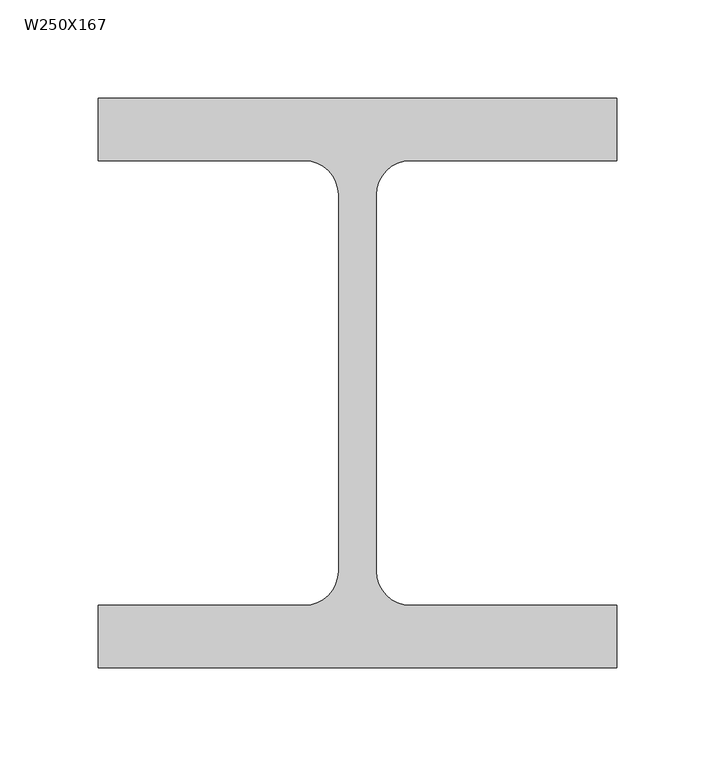
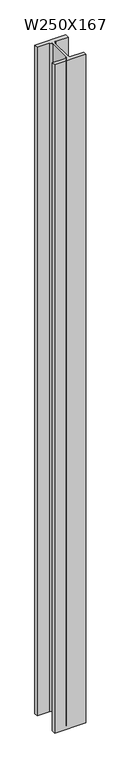
"""IFC4 building model written with IfcOpenShell, lengths in millimetres: column geometry, W250X167."""

from ifc_helpers import new_model, si_unit, point, frame_2d, origin, origin_with_axes, place, context, project, spatial, polyline, circle_curve, trimmed, segment, composite_curve, outline, extrude, source, transform, mapped, element, save


def w250x167_2ff0e007(model_context):
    return source(origin(), model_context, "Body", "SweptSolid", [
        extrude(outline(composite_curve([segment(polyline([(132.0, -145.0), (-132.0, -145.0), (-132.0, -113.2), (-27.0, -113.2)]), True, "CONTINUOUS"), segment(trimmed(circle_curve(frame_2d((-27.0, -95.8)), 17.4), [point((-27.0, -113.2))], [point((-9.6, -95.8))], True, "CARTESIAN"), True, "CONTINUOUS"), segment(polyline([(-9.6, -95.8), (-9.6, 95.8)]), True, "CONTINUOUS"), segment(trimmed(circle_curve(frame_2d((-27.0, 95.8)), 17.4), [point((-9.6, 95.8))], [point((-27.0, 113.2))], True, "CARTESIAN"), True, "CONTINUOUS"), segment(polyline([(-27.0, 113.2), (-132.0, 113.2), (-132.0, 145.0), (132.0, 145.0), (132.0, 113.2), (27.0, 113.2)]), True, "CONTINUOUS"), segment(trimmed(circle_curve(frame_2d((27.0, 95.8)), 17.4), [point((27.0, 113.2))], [point((9.6, 95.8))], True, "CARTESIAN"), True, "CONTINUOUS"), segment(polyline([(9.6, 95.8), (9.6, -95.8)]), True, "CONTINUOUS"), segment(trimmed(circle_curve(frame_2d((27.0, -95.8)), 17.4), [point((9.6, -95.8))], [point((27.0, -113.2))], True, "CARTESIAN"), True, "CONTINUOUS"), segment(polyline([(27.0, -113.2), (132.0, -113.2), (132.0, -145.0)]), True, "CONTINUOUS")], self_intersect=False)), origin_with_axes(), (0.0, 0.0, 1.0), 6000.0),
    ])


if __name__ == "__main__":
    model = new_model("IFC4")
    model_context = context("Model", 3, world=origin())
    ifc_project = project(units=[si_unit("LENGTHUNIT", "METRE", prefix="MILLI")], contexts=[model_context])
    site = spatial("IfcSite", under=ifc_project)
    building = spatial("IfcBuilding", under=site)
    placement = place(None, origin())
    w250x167_shape = w250x167_2ff0e007(model_context)
    element("IfcColumn", 1, ObjectType="W250X167", at=placement, inside=building, context=model_context, shape_type="MappedRepresentation", body=[
        mapped(w250x167_shape, transform((0.0, 0.0, 0.0), x_axis=(1.0, 0.0, 0.0), y_axis=(0.0, 1.0, 0.0), z_axis=(0.0, 0.0, 1.0))),
    ])
    save(model, "model.ifc")
